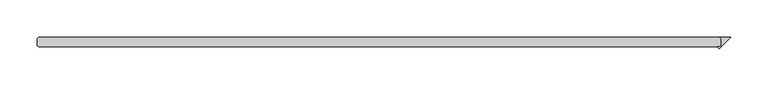
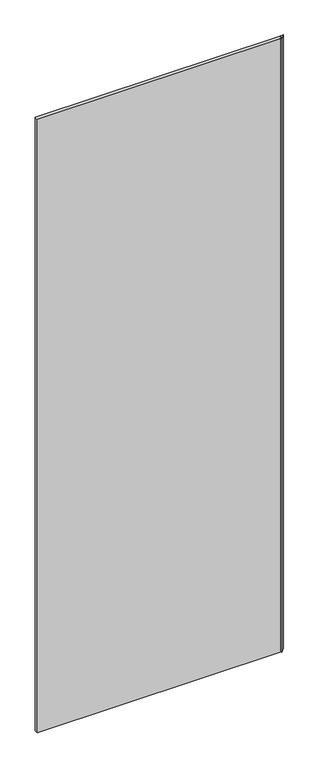
"""IFC4 building model written with IfcOpenShell, lengths in millimetres: plate geometry."""

from ifc_helpers import new_model, si_unit, origin, origin_with_axes, place, context, project, spatial, polyline, outline, extrude, source, transform, mapped, element, save


def plate_16a0523c(model_context):
    return source(origin(), model_context, "Body", "SweptSolid", [
        extrude(outline(polyline([(439.340625, -25.4), (437.753125, -23.8125), (452.040625, -23.8125), (436.630593, -39.222532), (433.920561, -36.5125), (437.753125, -36.5125), (439.340625, -34.925), (439.340625, -25.4)])), origin_with_axes(), (0.0, 0.0, 1.0), 2417.075),
        extrude(outline(polyline([(437.753125, -23.8125), (439.340625, -25.4), (439.340625, -34.925), (437.753125, -36.5125), (-474.265625, -36.5125), (-475.853125, -34.925), (-475.853125, -25.4), (-474.265625, -23.8125), (437.753125, -23.8125)])), origin_with_axes(), (0.0, 0.0, 1.0), 2417.075),
    ])


if __name__ == "__main__":
    model = new_model("IFC4")
    model_context = context("Model", 3, world=origin())
    ifc_project = project(units=[si_unit("LENGTHUNIT", "METRE", prefix="MILLI")], contexts=[model_context])
    site = spatial("IfcSite", under=ifc_project)
    building = spatial("IfcBuilding", under=site)
    placement = place(None, origin())
    plate_shape = plate_16a0523c(model_context)
    element("IfcPlate", 1, at=placement, inside=building, context=model_context, shape_type="MappedRepresentation", body=[
        mapped(plate_shape, transform((0.0, 0.0, 0.0), x_axis=(1.0, 0.0, 0.0), y_axis=(0.0, 1.0, 0.0), z_axis=(0.0, 0.0, 1.0))),
    ])
    save(model, "model.ifc")
